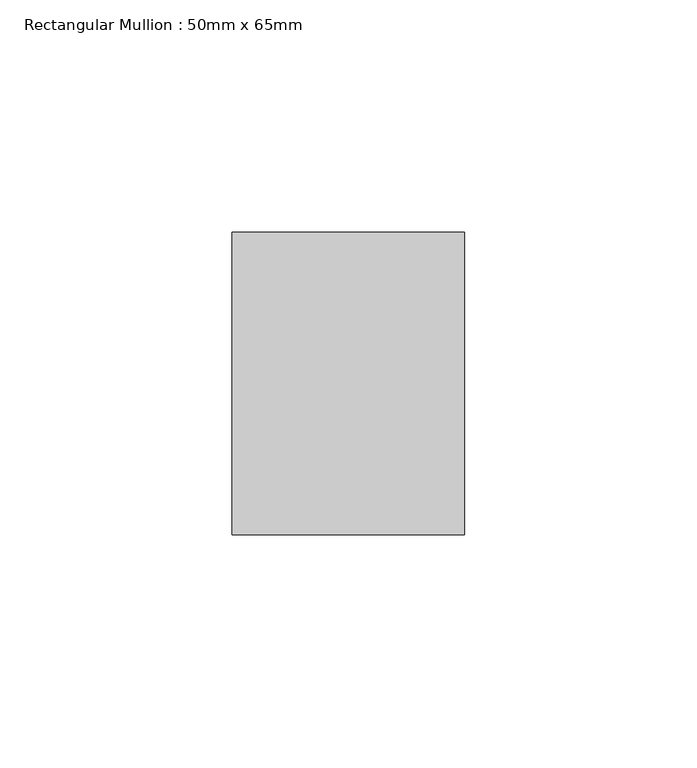
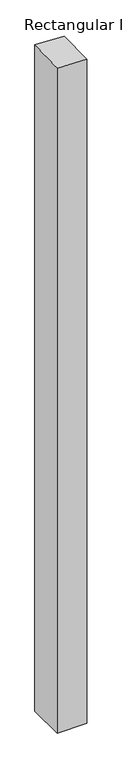
"""IFC4 building model written with IfcOpenShell, lengths in millimetres: member geometry, Rectangular Mullion : 50mm x 65mm."""

from ifc_helpers import new_model, si_unit, origin, place, context, project, spatial, faceted_brep, source, transform, mapped, element, save


def rectangular_mullion_50mm_x_65mm_a19cadbd(model_context):
    return source(origin(), model_context, "Body", "Brep", [
        faceted_brep([(25.0, 32.5, -1189.5156887), (25.0, -32.5, -1189.5156887), (-25.0, -32.5, -1189.5156887), (-25.0, 32.5, -1189.5156887), (-25.0, 32.5, 2.1954355), (25.0, 32.5, 0.0901307), (-25.0, -32.5, -0.0901307), (25.0, -32.5, -2.1954355)], [[[0, 1, 2, 3]], [[4, 5, 0, 3]], [[6, 4, 3, 2]], [[7, 6, 2, 1]], [[5, 7, 1, 0]], [[5, 4, 6, 7]]]),
    ])


if __name__ == "__main__":
    model = new_model("IFC4")
    model_context = context("Model", 3, world=origin())
    ifc_project = project(units=[si_unit("LENGTHUNIT", "METRE", prefix="MILLI")], contexts=[model_context])
    site = spatial("IfcSite", under=ifc_project)
    building = spatial("IfcBuilding", under=site)
    placement = place(None, origin())
    rectangular_mullion_50mm_x_65mm_shape = rectangular_mullion_50mm_x_65mm_a19cadbd(model_context)
    element("IfcMember", 1, ObjectType="Rectangular Mullion : 50mm x 65mm", at=placement, inside=building, context=model_context, shape_type="MappedRepresentation", body=[
        mapped(rectangular_mullion_50mm_x_65mm_shape, transform((0.0, 0.0, 0.0), x_axis=(1.0, 0.0, 0.0), y_axis=(0.0, 1.0, 0.0), z_axis=(0.0, 0.0, 1.0))),
    ])
    save(model, "model.ifc")
